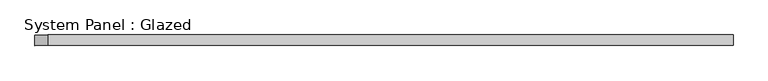
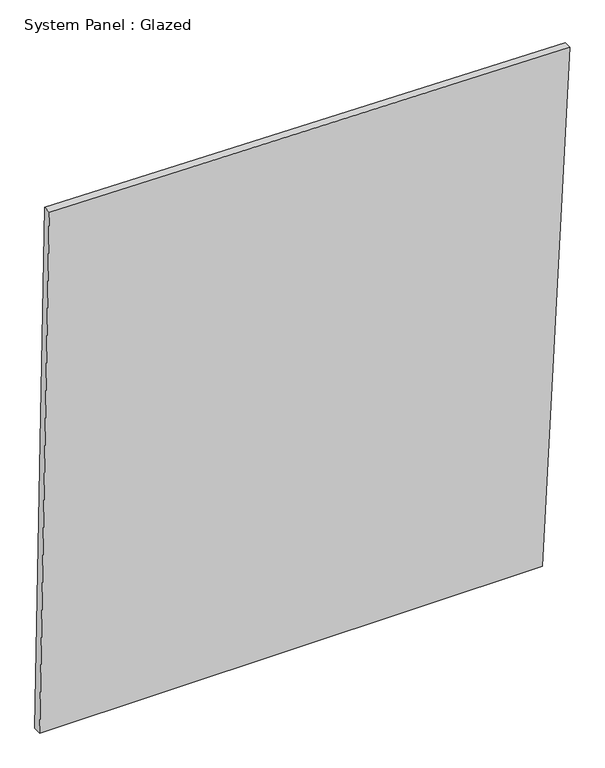
"""IFC4 building model written with IfcOpenShell, lengths in millimetres: plate geometry, System Panel : Glazed."""

from ifc_helpers import new_model, si_unit, frame, origin, place, context, project, spatial, polyline, outline, extrude, source, transform, mapped, element, save


def system_panel_glazed_c5798d99(model_context):
    return source(origin(), model_context, "Body", "SweptSolid", [
        extrude(outline(polyline([(0.0, -825.5054747), (0.0, 740.0285767), (1677.7806874, 825.5054747), (1703.3817141, -795.2022278), (0.0, -825.5054747)])), frame((0.0, 24.5, 0.0), z_axis=(0.0, 1.0, 0.0), x_axis=(0.0, 0.0, 1.0)), (0.0, 0.0, 1.0), 25.0),
    ])


if __name__ == "__main__":
    model = new_model("IFC4")
    model_context = context("Model", 3, world=origin())
    ifc_project = project(units=[si_unit("LENGTHUNIT", "METRE", prefix="MILLI")], contexts=[model_context])
    site = spatial("IfcSite", under=ifc_project)
    building = spatial("IfcBuilding", under=site)
    placement = place(None, origin())
    system_panel_glazed_shape = system_panel_glazed_c5798d99(model_context)
    element("IfcPlate", 1, ObjectType="System Panel : Glazed", at=placement, inside=building, context=model_context, shape_type="MappedRepresentation", body=[
        mapped(system_panel_glazed_shape, transform((0.0, 0.0, 0.0), x_axis=(1.0, 0.0, 0.0), y_axis=(0.0, 1.0, 0.0), z_axis=(0.0, 0.0, 1.0))),
    ])
    save(model, "model.ifc")
